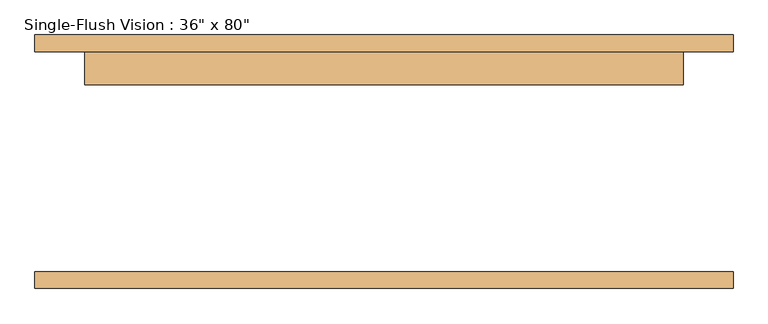
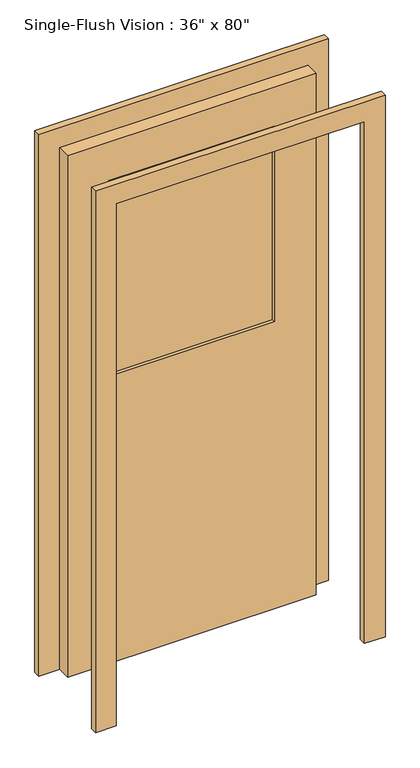
"""IFC4 building model written with IfcOpenShell, lengths in millimetres: door geometry."""

from ifc_helpers import new_model, si_unit, frame, origin, place, context, project, spatial, polyline, outline, extrude, source, transform, mapped, element, save


def door_0cd93479(model_context):
    return source(origin(), model_context, "Body", "SweptSolid", [
        extrude(outline(polyline([(2108.2, -533.4), (0.0, -533.4), (0.0, -457.2), (2032.0, -457.2), (2032.0, 457.2), (0.0, 457.2), (0.0, 533.4), (2108.2, 533.4), (2108.2, -533.4)])), frame((0.0, 168.275, 0.0), z_axis=(0.0, 1.0, 0.0), x_axis=(0.0, 0.0, 1.0)), (0.0, 0.0, 1.0), 25.4),
        extrude(outline(polyline([(2032.0, 457.2), (0.0, 457.2), (0.0, 533.4), (2108.2, 533.4), (2108.2, -533.4), (0.0, -533.4), (0.0, -457.2), (2032.0, -457.2), (2032.0, 457.2)])), frame((0.0, -193.675, 0.0), z_axis=(0.0, 1.0, 0.0), x_axis=(0.0, 0.0, 1.0)), (0.0, 0.0, 1.0), 25.4),
        extrude(outline(polyline([(304.8, 130.175), (-304.8, 130.175), (-304.8, 136.525), (304.8, 136.525), (304.8, 130.175)])), frame((0.0, 0.0, 1117.6), z_axis=(0.0, 0.0, 1.0), x_axis=(1.0, 0.0, 0.0)), (0.0, 0.0, 1.0), 762.0),
        extrude(outline(polyline([(304.8, 149.225), (-304.8, 149.225), (-304.8, 155.575), (304.8, 155.575), (304.8, 149.225)])), frame((0.0, 0.0, 1117.6), z_axis=(0.0, 0.0, 1.0), x_axis=(1.0, 0.0, 0.0)), (0.0, 0.0, 1.0), 762.0),
        extrude(outline(polyline([(2032.0, -457.2), (0.0, -457.2), (0.0, 457.2), (2032.0, 457.2), (2032.0, -457.2)]), holes=[polyline([(1879.6, -304.8), (1879.6, 304.8), (1117.6, 304.8), (1117.6, -304.8), (1879.6, -304.8)])]), frame((0.0, 117.475, 0.0), z_axis=(0.0, 1.0, 0.0), x_axis=(0.0, 0.0, 1.0)), (0.0, 0.0, 1.0), 50.8),
    ])


if __name__ == "__main__":
    model = new_model("IFC4")
    model_context = context("Model", 3, world=origin())
    ifc_project = project(units=[si_unit("LENGTHUNIT", "METRE", prefix="MILLI")], contexts=[model_context])
    site = spatial("IfcSite", under=ifc_project)
    building = spatial("IfcBuilding", under=site)
    placement = place(None, origin())
    door_shape = door_0cd93479(model_context)
    element("IfcDoor", 1, ObjectType="Single-Flush Vision : 36\" x 80\"", at=placement, inside=building, context=model_context, shape_type="MappedRepresentation", body=[
        mapped(door_shape, transform((0.0, 0.0, 0.0), x_axis=(1.0, 0.0, 0.0), y_axis=(0.0, 1.0, 0.0), z_axis=(0.0, 0.0, 1.0))),
    ])
    save(model, "model.ifc")
